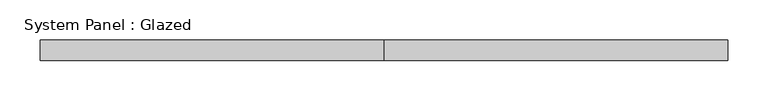
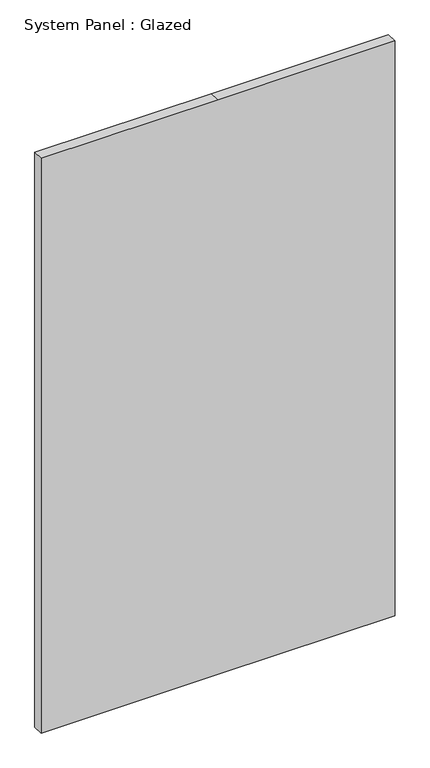
"""IFC4 building model written with IfcOpenShell, lengths in millimetres: plate geometry, System Panel : Glazed."""

from ifc_helpers import new_model, si_unit, frame, origin, place, context, project, spatial, polyline, outline, extrude, source, transform, mapped, element, save


def system_panel_glazed_716f3e27(model_context):
    return source(origin(), model_context, "Body", "SweptSolid", [
        extrude(outline(polyline([(0.0, -425.45), (0.0, 0.0), (0.0, 425.45), (1460.5, 425.45), (1460.5, 0.0), (1460.5, -425.45), (0.0, -425.45)])), frame((0.0, 19.05, 0.0), z_axis=(0.0, 1.0, 0.0), x_axis=(0.0, 0.0, 1.0)), (0.0, 0.0, 1.0), 25.4),
    ])


if __name__ == "__main__":
    model = new_model("IFC4")
    model_context = context("Model", 3, world=origin())
    ifc_project = project(units=[si_unit("LENGTHUNIT", "METRE", prefix="MILLI")], contexts=[model_context])
    site = spatial("IfcSite", under=ifc_project)
    building = spatial("IfcBuilding", under=site)
    placement = place(None, origin())
    system_panel_glazed_shape = system_panel_glazed_716f3e27(model_context)
    element("IfcPlate", 1, ObjectType="System Panel : Glazed", at=placement, inside=building, context=model_context, shape_type="MappedRepresentation", body=[
        mapped(system_panel_glazed_shape, transform((0.0, 0.0, 0.0), x_axis=(1.0, 0.0, 0.0), y_axis=(0.0, 1.0, 0.0), z_axis=(0.0, 0.0, 1.0))),
    ])
    save(model, "model.ifc")
